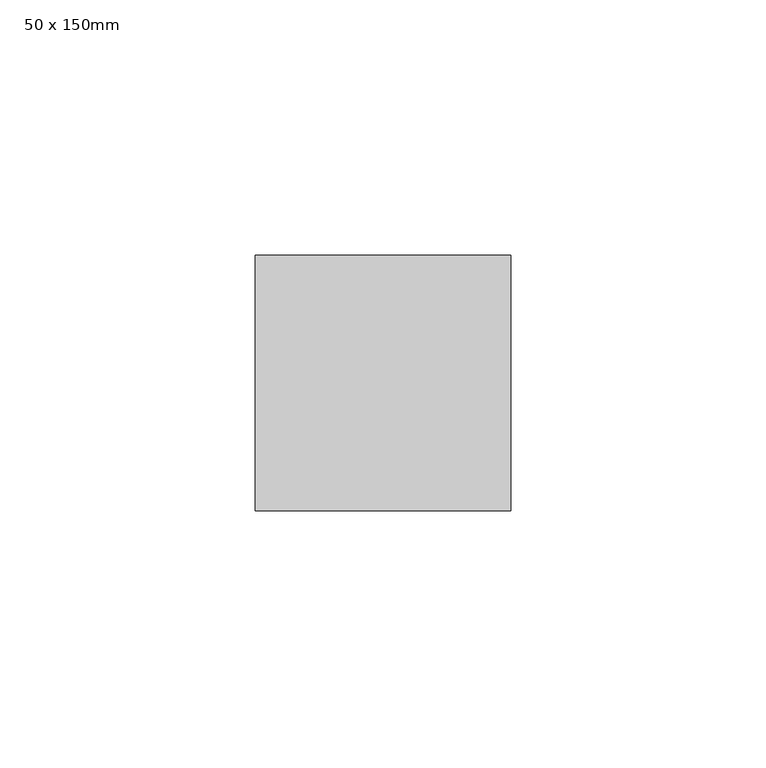
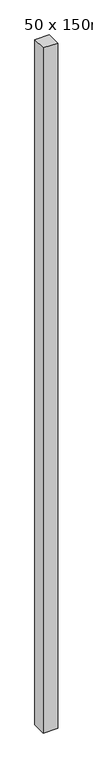
"""IFC4 building model written with IfcOpenShell, lengths in millimetres: member geometry, 50 x 150mm."""

from ifc_helpers import new_model, si_unit, frame, origin, place, context, project, spatial, polyline, outline, extrude, source, transform, mapped, element, save


def member_50_x_150mm_8ef403e8(model_context):
    return source(origin(), model_context, "Body", "SweptSolid", [
        extrude(outline(polyline([(25.0, 25.0), (25.0, -25.0), (-25.0, -25.0), (-25.0, 25.0), (25.0, 25.0)])), frame((0.0, 0.0, -2515.5538258), z_axis=(0.0, 0.0, 1.0), x_axis=(1.0, 0.0, 0.0)), (0.0, 0.0, 1.0), 2515.5538258),
    ])


if __name__ == "__main__":
    model = new_model("IFC4")
    model_context = context("Model", 3, world=origin())
    ifc_project = project(units=[si_unit("LENGTHUNIT", "METRE", prefix="MILLI")], contexts=[model_context])
    site = spatial("IfcSite", under=ifc_project)
    building = spatial("IfcBuilding", under=site)
    placement = place(None, origin())
    member_50_x_150mm_shape = member_50_x_150mm_8ef403e8(model_context)
    element("IfcMember", 1, ObjectType="50 x 150mm", at=placement, inside=building, context=model_context, shape_type="MappedRepresentation", body=[
        mapped(member_50_x_150mm_shape, transform((0.0, 0.0, 0.0), x_axis=(1.0, 0.0, 0.0), y_axis=(0.0, 1.0, 0.0), z_axis=(0.0, 0.0, 1.0))),
    ])
    save(model, "model.ifc")
